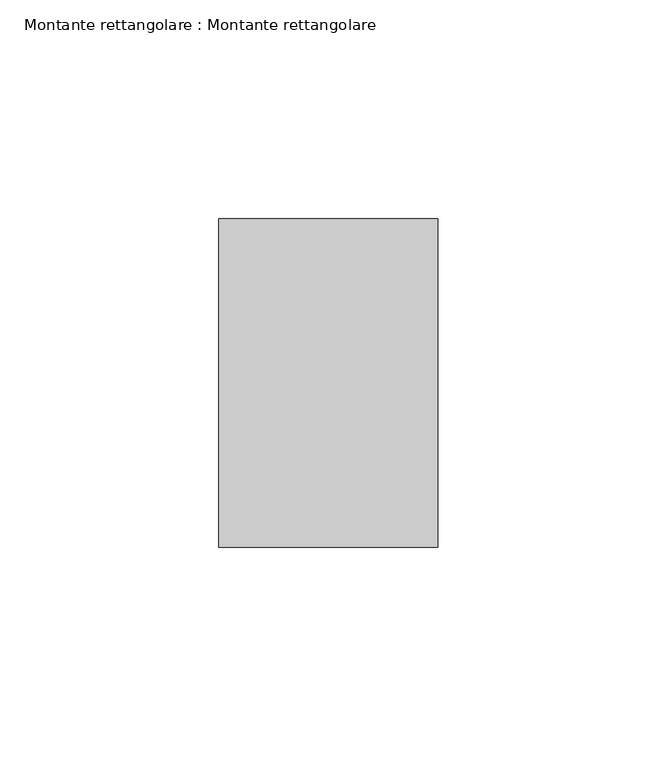
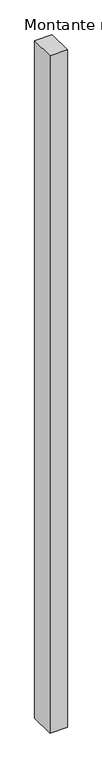
"""IFC4 building model written with IfcOpenShell, lengths in millimetres: member geometry, Montante rettangolare : Montante rettangolare."""

from ifc_helpers import new_model, si_unit, frame, origin, place, context, project, spatial, polyline, outline, extrude, source, transform, mapped, element, save


def montante_rettangolare_montante_rettangolare_a0c2e46d(model_context):
    return source(origin(), model_context, "Body", "SweptSolid", [
        extrude(outline(polyline([(0.0, 37.5), (0.0, -37.5), (-50.0, -37.5), (-50.0, 37.5), (0.0, 37.5)])), frame((0.0, 0.0, -2045.0), z_axis=(0.0, 0.0, 1.0), x_axis=(1.0, 0.0, 0.0)), (0.0, 0.0, 1.0), 2045.0),
    ])


if __name__ == "__main__":
    model = new_model("IFC4")
    model_context = context("Model", 3, world=origin())
    ifc_project = project(units=[si_unit("LENGTHUNIT", "METRE", prefix="MILLI")], contexts=[model_context])
    site = spatial("IfcSite", under=ifc_project)
    building = spatial("IfcBuilding", under=site)
    placement = place(None, origin())
    montante_rettangolare_montante_rettangolare_shape = montante_rettangolare_montante_rettangolare_a0c2e46d(model_context)
    element("IfcMember", 1, ObjectType="Montante rettangolare : Montante rettangolare", at=placement, inside=building, context=model_context, shape_type="MappedRepresentation", body=[
        mapped(montante_rettangolare_montante_rettangolare_shape, transform((0.0, 0.0, 0.0), x_axis=(1.0, 0.0, 0.0), y_axis=(0.0, 1.0, 0.0), z_axis=(0.0, 0.0, 1.0))),
    ])
    save(model, "model.ifc")
